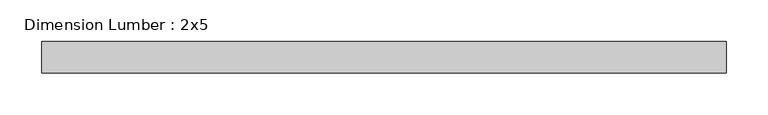
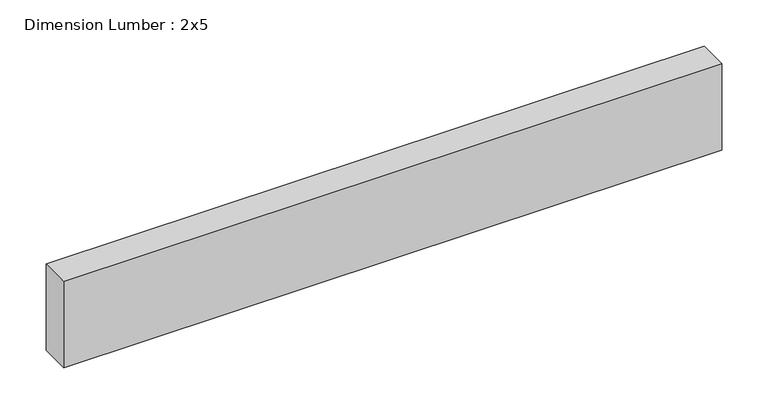
"""IFC4 building model written with IfcOpenShell, lengths in millimetres: beam geometry, Dimension Lumber : 2x5."""

import ifcopenshell
import ifcopenshell.guid

model = None  # the IFC model being written
_history = None  # IfcOwnerHistory: only IFC2X3 demands one
_inside = {}  # id of a spatial element -> (the spatial element, [elements in it])
_under = {}  # id of a project, library or spatial element -> (it, [spatial elements below it])
_declared = {}  # id of a project -> (the project, [libraries it declares])
_typed = {}  # id of a type object -> (the type object, [elements of that type])
_made_of = {}  # id of a material, layer set ... -> (it, [elements and type objects made of it])


def new_model(schema):
    """Start an empty IFC model of exactly this schema.

    Asked for "IFC4X3", IfcOpenShell would pick the latest addendum, in which some entities
    have other attributes; the version numbers below select the first issue.
    IFC2X3 requires an IfcOwnerHistory on every rooted entity: one is made here for all.
    """
    global model, _history
    if schema == "IFC4X3":
        model = ifcopenshell.file(schema_version=(4, 3, 0, 0))
    else:
        model = ifcopenshell.file(schema=schema)
    _inside.clear()
    _under.clear()
    _declared.clear()
    _typed.clear()
    _made_of.clear()
    _history = None
    if model.schema == "IFC2X3":
        org = make("IfcOrganization", Name="unknown")
        user = make(
            "IfcPersonAndOrganization",
            ThePerson=make("IfcPerson", FamilyName="unknown"),
            TheOrganization=org,
        )
        app = make(
            "IfcApplication",
            ApplicationDeveloper=org,
            Version="unknown",
            ApplicationFullName="unknown",
            ApplicationIdentifier="unknown",
        )
        _history = make(
            "IfcOwnerHistory",
            OwningUser=user,
            OwningApplication=app,
            ChangeAction="ADDED",
            CreationDate=0,
        )
    return model


def make(cls, **values):
    """One entity of the class cls with the attributes given. An attribute that is None is left unset."""
    return model.create_entity(
        cls, **{name: value for name, value in values.items() if value is not None}
    )


def rooted(cls, **values):
    """An entity with a GlobalId (a new one), such as an element, a storey or a relation."""
    return make(cls, GlobalId=ifcopenshell.guid.new(), OwnerHistory=_history, **values)


def si_unit(unit_type, name, prefix=None):
    """IfcSIUnit, for example si_unit("LENGTHUNIT", "METRE", prefix="MILLI")."""
    return make("IfcSIUnit", UnitType=unit_type, Prefix=prefix, Name=name)


def assignment(units):
    """IfcUnitAssignment: the units of a project."""
    return None if units is None else make("IfcUnitAssignment", Units=units)


def point(xyz):
    """IfcCartesianPoint."""
    return None if xyz is None else make("IfcCartesianPoint", Coordinates=xyz)


def direction(xyz):
    """IfcDirection."""
    return None if xyz is None else make("IfcDirection", DirectionRatios=xyz)


def frame(location, z_axis=None, x_axis=None):
    """IfcAxis2Placement3D, a coordinate frame: its origin and axes. An axis left out is left unset."""
    return make(
        "IfcAxis2Placement3D",
        Location=point(location),
        Axis=direction(z_axis),
        RefDirection=direction(x_axis),
    )


def origin():
    """The frame at (0, 0, 0) with its axes left unset."""
    return frame((0.0, 0.0, 0.0))


def place(relative_to, where):
    """IfcLocalPlacement: puts the frame where relative to a parent placement (None: the world)."""
    return make(
        "IfcLocalPlacement", PlacementRelTo=relative_to, RelativePlacement=where
    )


def context(
    kind, dimensions, precision=None, world=None, true_north=None, identifier=None
):
    """IfcGeometricRepresentationContext, for example the 3D "Model" context."""
    return make(
        "IfcGeometricRepresentationContext",
        ContextIdentifier=identifier,
        ContextType=kind,
        CoordinateSpaceDimension=dimensions,
        Precision=precision,
        WorldCoordinateSystem=world,
        TrueNorth=true_north,
    )


def project(units=None, contexts=None):
    """IfcProject with its units and contexts."""
    return rooted(
        "IfcProject",
        Name="project",
        RepresentationContexts=contexts,
        UnitsInContext=assignment(units),
    )


def spatial(cls, under=None, at=None, **own):
    """A site, building, storey or space (cls), placed at a placement, below another one or the project."""
    s = rooted(cls, ObjectPlacement=at, **own)
    if under is not None:
        _under.setdefault(under.id(), (under, []))[1].append(s)
    return s


def polyline(points):
    """IfcPolyline through the points."""
    return make("IfcPolyline", Points=[point(p) for p in points])


def outline(outer, holes=None, kind="AREA"):
    """IfcArbitraryClosedProfileDef: a profile drawn as a closed curve; with holes, ...WithVoids."""
    if holes is None:
        return make("IfcArbitraryClosedProfileDef", ProfileType=kind, OuterCurve=outer)
    return make(
        "IfcArbitraryProfileDefWithVoids",
        ProfileType=kind,
        OuterCurve=outer,
        InnerCurves=holes,
    )


def extrude(swept, where, along, depth):
    """IfcExtrudedAreaSolid: the profile swept, set in the frame where, extruded along a direction by depth."""
    return make(
        "IfcExtrudedAreaSolid",
        SweptArea=swept,
        Position=where,
        ExtrudedDirection=direction(along),
        Depth=depth,
    )


def shape(context_of_items, identifier, shape_type, items):
    """IfcShapeRepresentation: the items that make up one representation, for example the "Body"."""
    return make(
        "IfcShapeRepresentation",
        ContextOfItems=context_of_items,
        RepresentationIdentifier=identifier,
        RepresentationType=shape_type,
        Items=items,
    )


def source(mapping_origin, context_of_items, identifier, shape_type, items):
    """IfcRepresentationMap: a shape defined once, which mapped items show again and again."""
    return make(
        "IfcRepresentationMap",
        MappingOrigin=mapping_origin,
        MappedRepresentation=shape(context_of_items, identifier, shape_type, items),
    )


def transform(
    local_origin,
    x_axis=None,
    y_axis=None,
    z_axis=None,
    scale=None,
    scale2=None,
    scale3=None,
    uniform=True,
):
    """IfcCartesianTransformationOperator3D, or its non-uniform kind. x_axis, y_axis, z_axis: its Axis1, 2, 3."""
    if uniform:
        return make(
            "IfcCartesianTransformationOperator3D",
            Axis1=direction(x_axis),
            Axis2=direction(y_axis),
            LocalOrigin=point(local_origin),
            Scale=scale,
            Axis3=direction(z_axis),
        )
    return make(
        "IfcCartesianTransformationOperator3DnonUniform",
        Axis1=direction(x_axis),
        Axis2=direction(y_axis),
        LocalOrigin=point(local_origin),
        Scale=scale,
        Axis3=direction(z_axis),
        Scale2=scale2,
        Scale3=scale3,
    )


def mapped(mapping_source, mapping_target):
    """IfcMappedItem: shows the shape of a source again, moved by a transform."""
    return make(
        "IfcMappedItem", MappingSource=mapping_source, MappingTarget=mapping_target
    )


def made_of(thing, what):
    """Note that an element or type object is made of a material, layer set ...; save() writes the relation."""
    if what is not None:
        _made_of.setdefault(what.id(), (what, []))[1].append(thing)
    return thing


def element(
    cls,
    number,
    at=None,
    inside=None,
    cuts=None,
    type_object=None,
    material=None,
    context=None,
    identifier="Body",
    shape_type=None,
    held_by="IfcProductDefinitionShape",
    body=None,
    shapes=None,
    **own,
):
    """One element of the class cls, such as IfcWall. Its Tag is "e" and its number.

    at: its placement. inside: the storey or other place that contains it. cuts: it is an
    opening in that element (IfcRelVoidsElement). A single representation is given by context,
    identifier, shape_type and body (its items); several are given by shapes. held_by: the class
    of the entity that holds the representations. save() writes the other relations.
    """
    e = rooted(cls, Tag="e%d" % number, ObjectPlacement=at, **own)
    if body is not None:
        shapes = [shape(context, identifier, shape_type, body)]
    if shapes is not None:
        e.Representation = make(held_by, Representations=shapes)
    if inside is not None:
        _inside.setdefault(inside.id(), (inside, []))[1].append(e)
    if cuts is not None:
        rooted(
            "IfcRelVoidsElement", RelatingBuildingElement=cuts, RelatedOpeningElement=e
        )
    if type_object is not None:
        _typed.setdefault(type_object.id(), (type_object, []))[1].append(e)
    return made_of(e, material)


def aggregate(whole, parts):
    """IfcRelAggregates: a whole, such as a stair, and the parts it consists of."""
    return rooted("IfcRelAggregates", RelatingObject=whole, RelatedObjects=parts)


def save(model, path):
    """Write the relations noted so far, then the file.

    IfcRelAggregates (storeys below a building ...), IfcRelContainedInSpatialStructure (elements
    in a storey), IfcRelDefinesByType, IfcRelAssociatesMaterial and IfcRelDeclares: one each for
    every whole, place, type object, material and project.
    """
    for whole, parts in _under.values():
        aggregate(whole, parts)
    for where, things in _inside.values():
        rooted(
            "IfcRelContainedInSpatialStructure",
            RelatedElements=things,
            RelatingStructure=where,
        )
    for kind, things in _typed.values():
        rooted("IfcRelDefinesByType", RelatedObjects=things, RelatingType=kind)
    for what, things in _made_of.values():
        rooted("IfcRelAssociatesMaterial", RelatedObjects=things, RelatingMaterial=what)
    for by, libraries in _declared.values():
        rooted("IfcRelDeclares", RelatingContext=by, RelatedDefinitions=libraries)
    model.write(path)


def dimension_lumber_2x5_29d8fb76(model_context):
    return source(origin(), model_context, "Body", "SweptSolid", [
        extrude(outline(polyline([(410.9509758, 19.05), (410.9509758, -19.05), (-410.9509758, -19.05), (-410.9509758, 19.05), (410.9509758, 19.05)])), frame((0.0, 0.0, -57.15), z_axis=(0.0, 0.0, 1.0), x_axis=(1.0, 0.0, 0.0)), (0.0, 0.0, 1.0), 114.3),
    ])


if __name__ == "__main__":
    model = new_model("IFC4")
    model_context = context("Model", 3, world=origin())
    ifc_project = project(units=[si_unit("LENGTHUNIT", "METRE", prefix="MILLI")], contexts=[model_context])
    site = spatial("IfcSite", under=ifc_project)
    building = spatial("IfcBuilding", under=site)
    placement = place(None, origin())
    dimension_lumber_2x5_shape = dimension_lumber_2x5_29d8fb76(model_context)
    element("IfcBeam", 1, ObjectType="Dimension Lumber : 2x5", at=placement, inside=building, context=model_context, shape_type="MappedRepresentation", body=[
        mapped(dimension_lumber_2x5_shape, transform((0.0, 0.0, 0.0), x_axis=(1.0, 0.0, 0.0), y_axis=(0.0, 1.0, 0.0), z_axis=(0.0, 0.0, 1.0))),
    ])
    save(model, "model.ifc")
